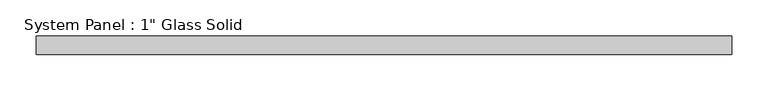
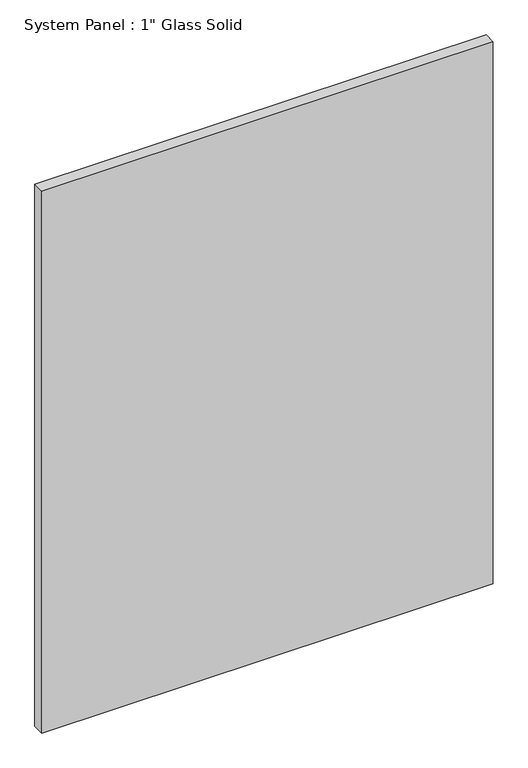
"""IFC4 building model written with IfcOpenShell, lengths in millimetres: plate geometry."""

from ifc_helpers import new_model, si_unit, origin, origin_with_axes, place, context, project, spatial, polyline, outline, extrude, source, transform, mapped, element, save


def plate_a69abd21(model_context):
    return source(origin(), model_context, "Body", "SweptSolid", [
        extrude(outline(polyline([(479.425, -12.7), (-479.425, -12.7), (-479.425, 12.7), (479.425, 12.7), (479.425, -12.7)])), origin_with_axes(), (0.0, 0.0, 1.0), 1216.025),
    ])


if __name__ == "__main__":
    model = new_model("IFC4")
    model_context = context("Model", 3, world=origin())
    ifc_project = project(units=[si_unit("LENGTHUNIT", "METRE", prefix="MILLI")], contexts=[model_context])
    site = spatial("IfcSite", under=ifc_project)
    building = spatial("IfcBuilding", under=site)
    placement = place(None, origin())
    plate_shape = plate_a69abd21(model_context)
    element("IfcPlate", 1, ObjectType="System Panel : 1\" Glass Solid", at=placement, inside=building, context=model_context, shape_type="MappedRepresentation", body=[
        mapped(plate_shape, transform((0.0, 0.0, 0.0), x_axis=(1.0, 0.0, 0.0), y_axis=(0.0, 1.0, 0.0), z_axis=(0.0, 0.0, 1.0))),
    ])
    save(model, "model.ifc")
